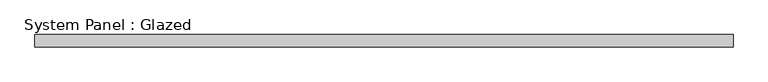
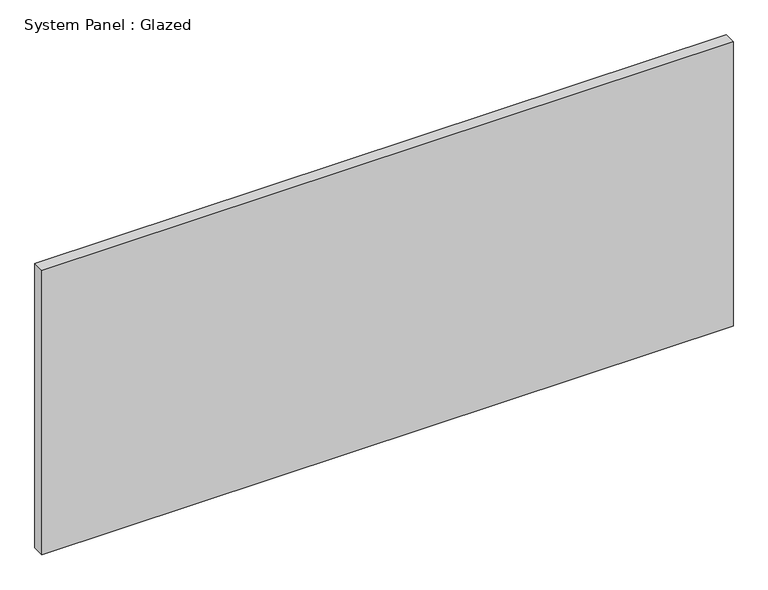
"""IFC4 building model written with IfcOpenShell, lengths in millimetres: plate geometry, System Panel : Glazed."""

import ifcopenshell
import ifcopenshell.guid

model = None  # the IFC model being written
_history = None  # IfcOwnerHistory: only IFC2X3 demands one
_inside = {}  # id of a spatial element -> (the spatial element, [elements in it])
_under = {}  # id of a project, library or spatial element -> (it, [spatial elements below it])
_declared = {}  # id of a project -> (the project, [libraries it declares])
_typed = {}  # id of a type object -> (the type object, [elements of that type])
_made_of = {}  # id of a material, layer set ... -> (it, [elements and type objects made of it])


def new_model(schema):
    """Start an empty IFC model of exactly this schema.

    Asked for "IFC4X3", IfcOpenShell would pick the latest addendum, in which some entities
    have other attributes; the version numbers below select the first issue.
    IFC2X3 requires an IfcOwnerHistory on every rooted entity: one is made here for all.
    """
    global model, _history
    if schema == "IFC4X3":
        model = ifcopenshell.file(schema_version=(4, 3, 0, 0))
    else:
        model = ifcopenshell.file(schema=schema)
    _inside.clear()
    _under.clear()
    _declared.clear()
    _typed.clear()
    _made_of.clear()
    _history = None
    if model.schema == "IFC2X3":
        org = make("IfcOrganization", Name="unknown")
        user = make(
            "IfcPersonAndOrganization",
            ThePerson=make("IfcPerson", FamilyName="unknown"),
            TheOrganization=org,
        )
        app = make(
            "IfcApplication",
            ApplicationDeveloper=org,
            Version="unknown",
            ApplicationFullName="unknown",
            ApplicationIdentifier="unknown",
        )
        _history = make(
            "IfcOwnerHistory",
            OwningUser=user,
            OwningApplication=app,
            ChangeAction="ADDED",
            CreationDate=0,
        )
    return model


def make(cls, **values):
    """One entity of the class cls with the attributes given. An attribute that is None is left unset."""
    return model.create_entity(
        cls, **{name: value for name, value in values.items() if value is not None}
    )


def rooted(cls, **values):
    """An entity with a GlobalId (a new one), such as an element, a storey or a relation."""
    return make(cls, GlobalId=ifcopenshell.guid.new(), OwnerHistory=_history, **values)


def si_unit(unit_type, name, prefix=None):
    """IfcSIUnit, for example si_unit("LENGTHUNIT", "METRE", prefix="MILLI")."""
    return make("IfcSIUnit", UnitType=unit_type, Prefix=prefix, Name=name)


def assignment(units):
    """IfcUnitAssignment: the units of a project."""
    return None if units is None else make("IfcUnitAssignment", Units=units)


def point(xyz):
    """IfcCartesianPoint."""
    return None if xyz is None else make("IfcCartesianPoint", Coordinates=xyz)


def direction(xyz):
    """IfcDirection."""
    return None if xyz is None else make("IfcDirection", DirectionRatios=xyz)


def frame(location, z_axis=None, x_axis=None):
    """IfcAxis2Placement3D, a coordinate frame: its origin and axes. An axis left out is left unset."""
    return make(
        "IfcAxis2Placement3D",
        Location=point(location),
        Axis=direction(z_axis),
        RefDirection=direction(x_axis),
    )


def origin():
    """The frame at (0, 0, 0) with its axes left unset."""
    return frame((0.0, 0.0, 0.0))


def origin_with_axes():
    """The frame at (0, 0, 0) with the z axis (0, 0, 1) and the x axis (1, 0, 0) written out."""
    return frame((0.0, 0.0, 0.0), z_axis=(0.0, 0.0, 1.0), x_axis=(1.0, 0.0, 0.0))


def place(relative_to, where):
    """IfcLocalPlacement: puts the frame where relative to a parent placement (None: the world)."""
    return make(
        "IfcLocalPlacement", PlacementRelTo=relative_to, RelativePlacement=where
    )


def context(
    kind, dimensions, precision=None, world=None, true_north=None, identifier=None
):
    """IfcGeometricRepresentationContext, for example the 3D "Model" context."""
    return make(
        "IfcGeometricRepresentationContext",
        ContextIdentifier=identifier,
        ContextType=kind,
        CoordinateSpaceDimension=dimensions,
        Precision=precision,
        WorldCoordinateSystem=world,
        TrueNorth=true_north,
    )


def project(units=None, contexts=None):
    """IfcProject with its units and contexts."""
    return rooted(
        "IfcProject",
        Name="project",
        RepresentationContexts=contexts,
        UnitsInContext=assignment(units),
    )


def spatial(cls, under=None, at=None, **own):
    """A site, building, storey or space (cls), placed at a placement, below another one or the project."""
    s = rooted(cls, ObjectPlacement=at, **own)
    if under is not None:
        _under.setdefault(under.id(), (under, []))[1].append(s)
    return s


def polyline(points):
    """IfcPolyline through the points."""
    return make("IfcPolyline", Points=[point(p) for p in points])


def outline(outer, holes=None, kind="AREA"):
    """IfcArbitraryClosedProfileDef: a profile drawn as a closed curve; with holes, ...WithVoids."""
    if holes is None:
        return make("IfcArbitraryClosedProfileDef", ProfileType=kind, OuterCurve=outer)
    return make(
        "IfcArbitraryProfileDefWithVoids",
        ProfileType=kind,
        OuterCurve=outer,
        InnerCurves=holes,
    )


def extrude(swept, where, along, depth):
    """IfcExtrudedAreaSolid: the profile swept, set in the frame where, extruded along a direction by depth."""
    return make(
        "IfcExtrudedAreaSolid",
        SweptArea=swept,
        Position=where,
        ExtrudedDirection=direction(along),
        Depth=depth,
    )


def shape(context_of_items, identifier, shape_type, items):
    """IfcShapeRepresentation: the items that make up one representation, for example the "Body"."""
    return make(
        "IfcShapeRepresentation",
        ContextOfItems=context_of_items,
        RepresentationIdentifier=identifier,
        RepresentationType=shape_type,
        Items=items,
    )


def source(mapping_origin, context_of_items, identifier, shape_type, items):
    """IfcRepresentationMap: a shape defined once, which mapped items show again and again."""
    return make(
        "IfcRepresentationMap",
        MappingOrigin=mapping_origin,
        MappedRepresentation=shape(context_of_items, identifier, shape_type, items),
    )


def transform(
    local_origin,
    x_axis=None,
    y_axis=None,
    z_axis=None,
    scale=None,
    scale2=None,
    scale3=None,
    uniform=True,
):
    """IfcCartesianTransformationOperator3D, or its non-uniform kind. x_axis, y_axis, z_axis: its Axis1, 2, 3."""
    if uniform:
        return make(
            "IfcCartesianTransformationOperator3D",
            Axis1=direction(x_axis),
            Axis2=direction(y_axis),
            LocalOrigin=point(local_origin),
            Scale=scale,
            Axis3=direction(z_axis),
        )
    return make(
        "IfcCartesianTransformationOperator3DnonUniform",
        Axis1=direction(x_axis),
        Axis2=direction(y_axis),
        LocalOrigin=point(local_origin),
        Scale=scale,
        Axis3=direction(z_axis),
        Scale2=scale2,
        Scale3=scale3,
    )


def mapped(mapping_source, mapping_target):
    """IfcMappedItem: shows the shape of a source again, moved by a transform."""
    return make(
        "IfcMappedItem", MappingSource=mapping_source, MappingTarget=mapping_target
    )


def made_of(thing, what):
    """Note that an element or type object is made of a material, layer set ...; save() writes the relation."""
    if what is not None:
        _made_of.setdefault(what.id(), (what, []))[1].append(thing)
    return thing


def element(
    cls,
    number,
    at=None,
    inside=None,
    cuts=None,
    type_object=None,
    material=None,
    context=None,
    identifier="Body",
    shape_type=None,
    held_by="IfcProductDefinitionShape",
    body=None,
    shapes=None,
    **own,
):
    """One element of the class cls, such as IfcWall. Its Tag is "e" and its number.

    at: its placement. inside: the storey or other place that contains it. cuts: it is an
    opening in that element (IfcRelVoidsElement). A single representation is given by context,
    identifier, shape_type and body (its items); several are given by shapes. held_by: the class
    of the entity that holds the representations. save() writes the other relations.
    """
    e = rooted(cls, Tag="e%d" % number, ObjectPlacement=at, **own)
    if body is not None:
        shapes = [shape(context, identifier, shape_type, body)]
    if shapes is not None:
        e.Representation = make(held_by, Representations=shapes)
    if inside is not None:
        _inside.setdefault(inside.id(), (inside, []))[1].append(e)
    if cuts is not None:
        rooted(
            "IfcRelVoidsElement", RelatingBuildingElement=cuts, RelatedOpeningElement=e
        )
    if type_object is not None:
        _typed.setdefault(type_object.id(), (type_object, []))[1].append(e)
    return made_of(e, material)


def aggregate(whole, parts):
    """IfcRelAggregates: a whole, such as a stair, and the parts it consists of."""
    return rooted("IfcRelAggregates", RelatingObject=whole, RelatedObjects=parts)


def save(model, path):
    """Write the relations noted so far, then the file.

    IfcRelAggregates (storeys below a building ...), IfcRelContainedInSpatialStructure (elements
    in a storey), IfcRelDefinesByType, IfcRelAssociatesMaterial and IfcRelDeclares: one each for
    every whole, place, type object, material and project.
    """
    for whole, parts in _under.values():
        aggregate(whole, parts)
    for where, things in _inside.values():
        rooted(
            "IfcRelContainedInSpatialStructure",
            RelatedElements=things,
            RelatingStructure=where,
        )
    for kind, things in _typed.values():
        rooted("IfcRelDefinesByType", RelatedObjects=things, RelatingType=kind)
    for what, things in _made_of.values():
        rooted("IfcRelAssociatesMaterial", RelatedObjects=things, RelatingMaterial=what)
    for by, libraries in _declared.values():
        rooted("IfcRelDeclares", RelatingContext=by, RelatedDefinitions=libraries)
    model.write(path)


def system_panel_glazed_ef939171(model_context):
    return source(origin(), model_context, "Body", "SweptSolid", [
        extrude(outline(polyline([(718.3333333, -49.5), (-718.3333333, -49.5), (-718.3333333, -24.5), (718.3333333, -24.5), (718.3333333, -49.5)])), origin_with_axes(), (0.0, 0.0, 1.0), 625.0),
    ])


if __name__ == "__main__":
    model = new_model("IFC4")
    model_context = context("Model", 3, world=origin())
    ifc_project = project(units=[si_unit("LENGTHUNIT", "METRE", prefix="MILLI")], contexts=[model_context])
    site = spatial("IfcSite", under=ifc_project)
    building = spatial("IfcBuilding", under=site)
    placement = place(None, origin())
    system_panel_glazed_shape = system_panel_glazed_ef939171(model_context)
    element("IfcPlate", 1, ObjectType="System Panel : Glazed", at=placement, inside=building, context=model_context, shape_type="MappedRepresentation", body=[
        mapped(system_panel_glazed_shape, transform((0.0, 0.0, 0.0), x_axis=(1.0, 0.0, 0.0), y_axis=(0.0, 1.0, 0.0), z_axis=(0.0, 0.0, 1.0))),
    ])
    save(model, "model.ifc")
